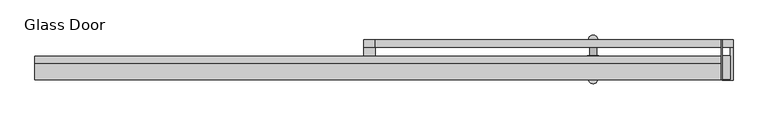
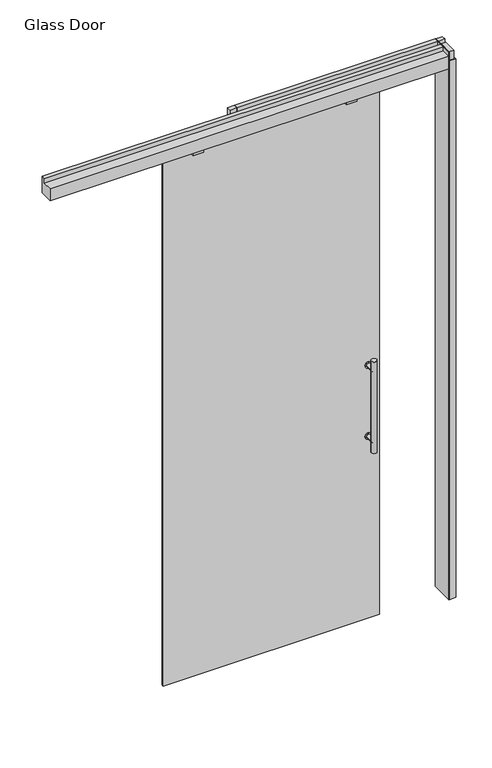
"""IFC4 building model written with IfcOpenShell, lengths in millimetres: plate geometry, Glass Door."""

from ifc_helpers import new_model, si_unit, point, frame, frame_2d, origin, origin_with_axes, place, context, project, spatial, polyline, circle_curve, trimmed, segment, composite_curve, outline, extrude, source, transform, mapped, element, save


def glass_door_3dc2d78b(model_context):
    return source(origin(), model_context, "Body", "SweptSolid", [
        extrude(outline(composite_curve([segment(trimmed(circle_curve(frame_2d((1267.7758628, 122.9502762)), 15.5007671), [point((1267.7758628, 107.449509))], [point((1267.7758628, 138.4510433))], False, "CARTESIAN"), True, "CONTINUOUS"), segment(trimmed(circle_curve(frame_2d((1267.7758628, 122.9502762)), 15.5007671), [point((1267.7758628, 138.4510433))], [point((1267.7758628, 107.449509))], False, "CARTESIAN"), True, "CONTINUOUS")], self_intersect=False)), frame((0.0, -15.2147122, 0.0), z_axis=(0.0, 1.0, 0.0), x_axis=(0.0, 0.0, 1.0)), (0.0, 0.0, 1.0), 3.556),
        extrude(outline(composite_curve([segment(trimmed(circle_curve(frame_2d((912.5206255, 122.9502762)), 15.5007671), [point((912.5206255, 107.449509))], [point((912.5206255, 138.4510433))], False, "CARTESIAN"), True, "CONTINUOUS"), segment(trimmed(circle_curve(frame_2d((912.5206255, 122.9502762)), 15.5007671), [point((912.5206255, 138.4510433))], [point((912.5206255, 107.449509))], False, "CARTESIAN"), True, "CONTINUOUS")], self_intersect=False)), frame((0.0, -15.2147122, 0.0), z_axis=(0.0, 1.0, 0.0), x_axis=(0.0, 0.0, 1.0)), (0.0, 0.0, 1.0), 3.556),
        extrude(outline(composite_curve([segment(trimmed(circle_curve(frame_2d((912.5206255, 122.9502762)), 9.4326721), [point((912.5206255, 113.5176041))], [point((912.5206255, 132.3829482))], False, "CARTESIAN"), True, "CONTINUOUS"), segment(trimmed(circle_curve(frame_2d((912.5206255, 122.9502762)), 9.4326721), [point((912.5206255, 132.3829482))], [point((912.5206255, 113.5176041))], False, "CARTESIAN"), True, "CONTINUOUS")], self_intersect=False)), frame((0.0, -11.6587122, 0.0), z_axis=(0.0, 1.0, 0.0), x_axis=(0.0, 0.0, 1.0)), (0.0, 0.0, 1.0), 44.4031381),
        extrude(outline(composite_curve([segment(trimmed(circle_curve(frame_2d((1267.7758628, 122.9502762)), 9.4326721), [point((1267.7758628, 113.5176041))], [point((1267.7758628, 132.3829482))], False, "CARTESIAN"), True, "CONTINUOUS"), segment(trimmed(circle_curve(frame_2d((1267.7758628, 122.9502762)), 9.4326721), [point((1267.7758628, 132.3829482))], [point((1267.7758628, 113.5176041))], False, "CARTESIAN"), True, "CONTINUOUS")], self_intersect=False)), frame((0.0, -11.6587122, 0.0), z_axis=(0.0, 1.0, 0.0), x_axis=(0.0, 0.0, 1.0)), (0.0, 0.0, 1.0), 44.4031381),
        extrude(outline(composite_curve([segment(trimmed(circle_curve(frame_2d((122.9502762, 32.7444259)), 12.7), [point((110.2502762, 32.7444259))], [point((135.6502762, 32.7444259))], False, "CARTESIAN"), True, "CONTINUOUS"), segment(trimmed(circle_curve(frame_2d((122.9502762, 32.7444259)), 12.7), [point((135.6502762, 32.7444259))], [point((110.2502762, 32.7444259))], False, "CARTESIAN"), True, "CONTINUOUS")], self_intersect=False)), frame((0.0, 0.0, 861.5482441), z_axis=(0.0, 0.0, 1.0), x_axis=(1.0, 0.0, 0.0)), (0.0, 0.0, 1.0), 457.2),
        extrude(outline(composite_curve([segment(trimmed(circle_curve(frame_2d((1267.7758628, 122.9502762)), 15.5007671), [point((1267.7758628, 107.449509))], [point((1267.7758628, 138.4510433))], False, "CARTESIAN"), True, "CONTINUOUS"), segment(trimmed(circle_curve(frame_2d((1267.7758628, 122.9502762)), 15.5007671), [point((1267.7758628, 138.4510433))], [point((1267.7758628, 107.449509))], False, "CARTESIAN"), True, "CONTINUOUS")], self_intersect=False)), frame((0.0, -31.4707122, 0.0), z_axis=(0.0, 1.0, 0.0), x_axis=(0.0, 0.0, 1.0)), (0.0, 0.0, 1.0), 3.556),
        extrude(outline(composite_curve([segment(trimmed(circle_curve(frame_2d((912.5206255, 122.9502762)), 15.5007671), [point((912.5206255, 107.449509))], [point((912.5206255, 138.4510433))], False, "CARTESIAN"), True, "CONTINUOUS"), segment(trimmed(circle_curve(frame_2d((912.5206255, 122.9502762)), 15.5007671), [point((912.5206255, 138.4510433))], [point((912.5206255, 107.449509))], False, "CARTESIAN"), True, "CONTINUOUS")], self_intersect=False)), frame((0.0, -31.4707122, 0.0), z_axis=(0.0, 1.0, 0.0), x_axis=(0.0, 0.0, 1.0)), (0.0, 0.0, 1.0), 3.556),
        extrude(outline(composite_curve([segment(trimmed(circle_curve(frame_2d((912.5206255, 122.9502762)), 9.4326721), [point((912.5206255, 113.5176041))], [point((912.5206255, 132.3829482))], False, "CARTESIAN"), True, "CONTINUOUS"), segment(trimmed(circle_curve(frame_2d((912.5206255, 122.9502762)), 9.4326721), [point((912.5206255, 132.3829482))], [point((912.5206255, 113.5176041))], False, "CARTESIAN"), True, "CONTINUOUS")], self_intersect=False)), frame((0.0, -75.8738503, 0.0), z_axis=(0.0, 1.0, 0.0), x_axis=(0.0, 0.0, 1.0)), (0.0, 0.0, 1.0), 44.4031381),
        extrude(outline(composite_curve([segment(trimmed(circle_curve(frame_2d((1267.7758628, 122.9502762)), 9.4326721), [point((1267.7758628, 113.5176041))], [point((1267.7758628, 132.3829482))], False, "CARTESIAN"), True, "CONTINUOUS"), segment(trimmed(circle_curve(frame_2d((1267.7758628, 122.9502762)), 9.4326721), [point((1267.7758628, 132.3829482))], [point((1267.7758628, 113.5176041))], False, "CARTESIAN"), True, "CONTINUOUS")], self_intersect=False)), frame((0.0, -75.8738503, 0.0), z_axis=(0.0, 1.0, 0.0), x_axis=(0.0, 0.0, 1.0)), (0.0, 0.0, 1.0), 44.4031381),
        extrude(outline(composite_curve([segment(trimmed(circle_curve(frame_2d((122.9502762, -75.8738503)), 12.7), [point((110.2502762, -75.8738503))], [point((135.6502762, -75.8738503))], False, "CARTESIAN"), True, "CONTINUOUS"), segment(trimmed(circle_curve(frame_2d((122.9502762, -75.8738503)), 12.7), [point((135.6502762, -75.8738503))], [point((110.2502762, -75.8738503))], False, "CARTESIAN"), True, "CONTINUOUS")], self_intersect=False)), frame((0.0, 0.0, 861.5482441), z_axis=(0.0, 0.0, 1.0), x_axis=(1.0, 0.0, 0.0)), (0.0, 0.0, 1.0), 457.2),
        extrude(outline(polyline([(475.76102, 32.4102878), (477.79302, 32.4102878), (477.79302, -78.5748921), (475.76102, -78.5748921), (475.76102, 32.4102878)])), origin_with_axes(), (0.0, 0.0, 1.0), 2737.2582131),
        extrude(outline(polyline([(477.79302, 31.9657855), (508.0, 31.9657855), (508.0, 11.7473709), (477.79302, 11.7473709), (477.79302, 31.9657855)])), frame((0.0, 0.0, 2693.924), z_axis=(0.0, 0.0, 1.0), x_axis=(1.0, 0.0, 0.0)), (0.0, 0.0, 1.0), 43.3342131),
        extrude(outline(polyline([(500.2529999, -11.7476378), (500.2529999, -76.5428917), (477.79302, -76.5428917), (477.79302, -11.7476378), (500.2529999, -11.7476378)])), frame((0.0, 0.0, 2693.924), z_axis=(0.0, 0.0, 1.0), x_axis=(1.0, 0.0, 0.0)), (0.0, 0.0, 1.0), 43.3342131),
        extrude(outline(polyline([(508.0, 32.4102878), (508.0, -78.5748921), (477.79302, -78.5748921), (477.79302, -76.5428917), (500.2529999, -76.5428917), (500.2529999, 30.3782748), (477.79302, 30.3782748), (477.79302, 32.4102878), (508.0, 32.4102878)])), origin_with_axes(), (0.0, 0.0, 1.0), 2693.924),
        extrude(outline(polyline([(-508.0, 32.4102878), (-475.76102, 32.4102878), (-475.76102, -12.394152), (-508.0, -12.394152), (-508.0, 32.4102878)])), origin_with_axes(), (0.0, 0.0, 1.0), 2693.924),
        extrude(outline(polyline([(475.76102, 31.9657855), (475.76102, 11.7473709), (-475.76102, 11.7473709), (-475.76102, 31.9657855), (475.76102, 31.9657855)])), frame((0.0, 0.0, 2654.7082131), z_axis=(0.0, 0.0, 1.0), x_axis=(1.0, 0.0, 0.0)), (0.0, 0.0, 1.0), 82.55),
        extrude(outline(polyline([(-508.0, 31.9657855), (-475.76102, 31.9657855), (-475.76102, 11.7473709), (-508.0, 11.7473709), (-508.0, 31.9657855)])), frame((0.0, 0.0, 2693.924), z_axis=(0.0, 0.0, 1.0), x_axis=(1.0, 0.0, 0.0)), (0.0, 0.0, 1.0), 43.3342131),
        extrude(outline(polyline([(-660.2951926, -36.1536677), (-711.42705, -36.1536677), (-711.42705, -27.9147122), (-660.2951926, -27.9147122), (-660.2951926, -36.1536677)])), frame((0.0, 0.0, 2609.8499031), z_axis=(0.0, 0.0, 1.0), x_axis=(1.0, 0.0, 0.0)), (0.0, 0.0, 1.0), 44.85831),
        extrude(outline(polyline([(65.0127702, -36.1536677), (14.2128187, -36.1536677), (14.2128187, -27.9147122), (65.0127702, -27.9147122), (65.0127702, -36.1536677)])), frame((0.0, 0.0, 2609.8499031), z_axis=(0.0, 0.0, 1.0), x_axis=(1.0, 0.0, 0.0)), (0.0, 0.0, 1.0), 44.85831),
        extrude(outline(polyline([(-32.9183918, 2737.2582131), (-12.7000057, 2737.2582131), (-12.7000057, 2654.7082131), (-78.5748921, 2654.7082131), (-78.5748921, 2716.3522202), (-32.9183918, 2716.3522202), (-32.9183918, 2737.2582131)])), frame((-1412.3891575, 0.0, 0.0), z_axis=(1.0, 0.0, 0.0), x_axis=(0.0, 1.0, 0.0)), (0.0, 0.0, 1.0), 1888.1501775),
        extrude(outline(polyline([(176.8490762, -27.9147122), (-846.680391, -27.9147122), (-846.680391, -17.7868078), (176.8490762, -17.7868078), (176.8490762, -27.9147122)])), origin_with_axes(), (0.0, 0.0, 1.0), 2654.7082131),
    ])


if __name__ == "__main__":
    model = new_model("IFC4")
    model_context = context("Model", 3, world=origin())
    ifc_project = project(units=[si_unit("LENGTHUNIT", "METRE", prefix="MILLI")], contexts=[model_context])
    site = spatial("IfcSite", under=ifc_project)
    building = spatial("IfcBuilding", under=site)
    placement = place(None, origin())
    glass_door_shape = glass_door_3dc2d78b(model_context)
    element("IfcPlate", 1, ObjectType="Glass Door", at=placement, inside=building, context=model_context, shape_type="MappedRepresentation", body=[
        mapped(glass_door_shape, transform((0.0, 0.0, 0.0), x_axis=(1.0, 0.0, 0.0), y_axis=(0.0, 1.0, 0.0), z_axis=(0.0, 0.0, 1.0))),
    ])
    save(model, "model.ifc")
